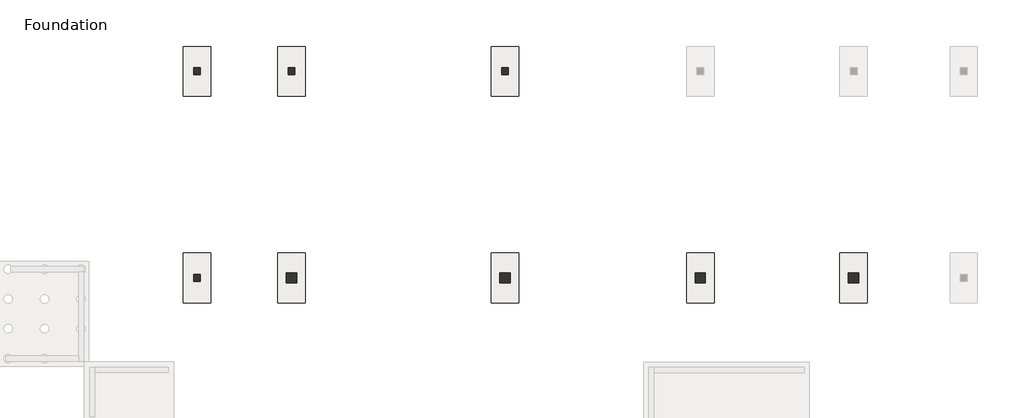
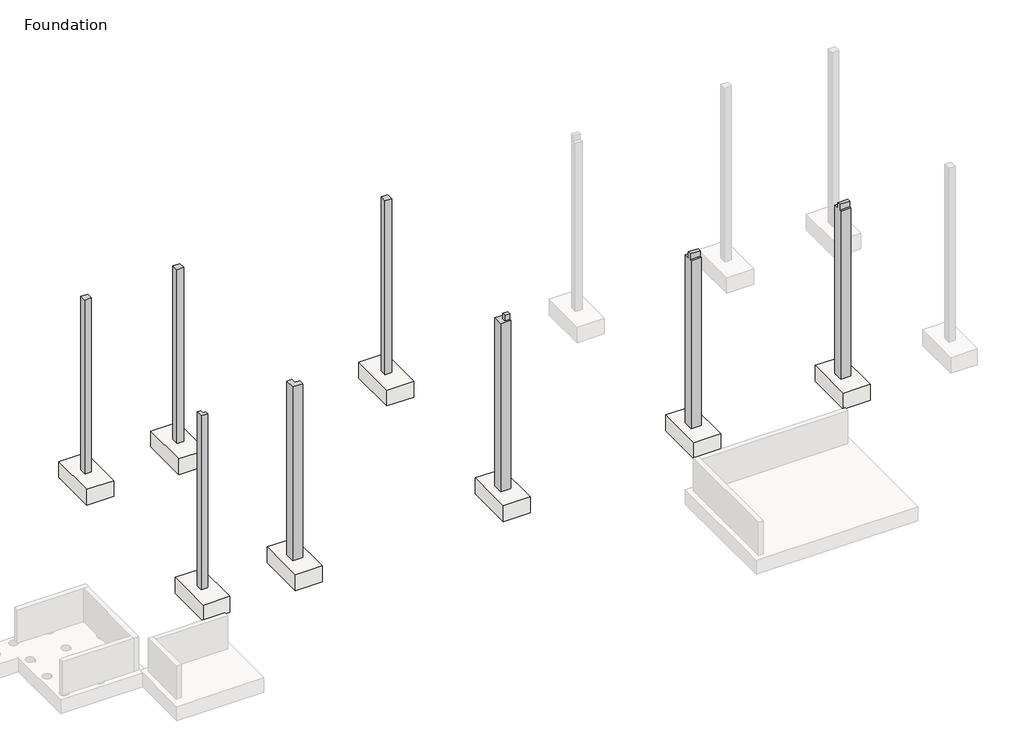
# One storey, part 3 of 10: 8 columns, 8 slabs.
"""IFC4 building model written with IfcOpenShell, lengths in millimetres."""

from ifc_helpers import new_model, si_unit, frame, origin, place, context, project, spatial, polyline, circle_curve, faceted_brep, element, save
from ifc_brep_helpers import plane_surface, revolved_surface, advanced_brep

model = new_model("IFC4")

# Units and contexts
model_context = context("Model", 3, world=origin())
ifc_project = project(units=[si_unit("LENGTHUNIT", "METRE", prefix="MILLI")], contexts=[model_context])

# Site, building, storey
site = spatial("IfcSite", under=ifc_project)
building = spatial("IfcBuilding", under=site)
storey = spatial("IfcBuildingStorey", under=building, Name="Foundation", Elevation=-1600.0)

# Columns
placement = place(None, origin())
element("IfcColumn", 1, ObjectType="Concrete-Rectangular-Column : C 20/20", at=placement, inside=storey, context=model_context, shape_type="Brep", body=[
    faceted_brep([(-54020.0749186, -5989.7248986, -1600.0), (-54020.0749186, -6189.7248986, -1600.0), (-54220.0749186, -6189.7248986, -1600.0), (-54220.0749186, -5989.7248986, -1600.0), (-54020.0749186, -6189.7248986, 3900.0), (-54220.0749186, -6189.7248986, 3900.0), (-54020.0749186, -6189.7248986, -550.0), (-54020.0749186, -6189.7248986, -100.0), (-54020.0749186, -5989.7248986, 3900.0), (-54020.0749186, -6164.7248986, 3900.0), (-54220.0749186, -5989.7248986, 3900.0)], [[[0, 1, 2, 3]], [[4, 5, 2, 1, 6, 7]], [[8, 9, 4, 7, 6, 1, 0]], [[5, 10, 3, 2]], [[10, 8, 0, 3]], [[8, 10, 5, 4, 9]]]),
])
element("IfcColumn", 2, ObjectType="Concrete-Rectangular-Column : C 20/20", at=placement, inside=storey, context=model_context, shape_type="Brep", body=[
    faceted_brep([(-51267.5749186, -5989.7248986, -1600.0), (-51267.5749186, -6189.7248986, -1600.0), (-51467.5749186, -6189.7248986, -1600.0), (-51467.5749186, -5989.7248986, -1600.0), (-51267.5749186, -6189.7248986, 3900.0), (-51467.5749186, -6189.7248986, 3900.0), (-51467.5749186, -6189.7248986, 3250.0), (-51467.5749186, -6189.7248986, -100.0), (-51467.5749186, -6189.7248986, -550.0), (-51267.5749186, -6189.7248986, -550.0), (-51267.5749186, -6189.7248986, -100.0), (-51267.5749186, -6189.7248986, 3250.0), (-51267.5749186, -5989.7248986, 3900.0), (-51267.5749186, -6164.7248986, 3900.0), (-51467.5749186, -6164.7248986, 3900.0), (-51467.5749186, -5989.7248986, 3900.0)], [[[0, 1, 2, 3]], [[4, 5, 6, 7, 8, 2, 1, 9, 10, 11]], [[12, 13, 4, 11, 10, 9, 1, 0]], [[5, 14, 15, 3, 2, 8, 7, 6]], [[15, 12, 0, 3]], [[12, 15, 14, 5, 4, 13]]]),
])
element("IfcColumn", 3, ObjectType="Concrete-Rectangular-Column : C 20/20", at=placement, inside=storey, context=model_context, shape_type="Brep", body=[
    faceted_brep([(-45047.5749186, -5989.7248986, -1600.0), (-45047.5749186, -6189.7248986, -1600.0), (-45247.5749186, -6189.7248986, -1600.0), (-45247.5749186, -5989.7248986, -1600.0), (-45047.5749186, -6189.7248986, 3900.0), (-45247.5749186, -6189.7248986, 3900.0), (-45047.5749186, -5989.7248986, 3900.0), (-45047.5749186, -6014.7248986, 3900.0), (-45047.5749186, -6164.7248986, 3900.0), (-45247.5749186, -6164.7248986, 3900.0), (-45247.5749186, -6014.7248986, 3900.0), (-45247.5749186, -5989.7248986, 3900.0)], [[[0, 1, 2, 3]], [[4, 5, 2, 1]], [[6, 7, 8, 4, 1, 0]], [[5, 9, 10, 11, 3, 2]], [[11, 6, 0, 3]], [[6, 11, 10, 9, 5, 4, 8, 7]]]),
])
element("IfcColumn", 4, ObjectType="Concrete-Rectangular-Column : C 20/20", at=placement, inside=storey, context=model_context, shape_type="Brep", body=[
    faceted_brep([(-54020.0749186, -12019.7248986, -1600.0), (-54020.0749186, -12219.7248986, -1600.0), (-54220.0749186, -12219.7248986, -1600.0), (-54220.0749186, -12019.7248986, -1600.0), (-54020.0749186, -12219.7248986, -550.0), (-54020.0749186, -12219.7248986, -100.0), (-54020.0749186, -12219.7248986, 3720.0), (-54020.0749186, -12219.7248986, 3900.0), (-54220.0749186, -12219.7248986, 3900.0), (-54220.0749186, -12219.7248986, 3720.0), (-54220.0749186, -12219.7248986, -100.0), (-54220.0749186, -12219.7248986, -550.0), (-54020.0749186, -12019.7248986, -550.0), (-54020.0749186, -12019.7248986, -100.0), (-54020.0749186, -12019.7248986, 3400.0), (-54020.0749186, -12019.7248986, 3720.0), (-54020.0749186, -12119.7248986, 3720.0), (-54020.0749186, -12119.7248986, 3900.0), (-54020.0749186, -12194.7248986, 3900.0), (-54220.0749186, -12194.7248986, 3900.0), (-54220.0749186, -12019.7248986, 3900.0), (-54220.0749186, -12019.7248986, 3400.0), (-54120.0749186, -12019.7248986, 3900.0), (-54120.0749186, -12019.7248986, 3720.0), (-54120.0749186, -12119.7248986, 3900.0), (-54120.0749186, -12119.7248986, 3720.0)], [[[0, 1, 2, 3]], [[2, 1, 4, 5, 6, 7, 8, 9, 10, 11]], [[1, 0, 12, 13, 14, 15, 16, 17, 18, 7, 6, 5, 4]], [[2, 11, 10, 9, 8, 19, 20, 21, 3]], [[0, 3, 21, 20, 22, 23, 15, 14, 13, 12]], [[8, 7, 18, 17, 24, 22, 20, 19]], [[23, 25, 16, 15]], [[25, 24, 17, 16]], [[24, 25, 23, 22]]]),
])
element("IfcColumn", 5, ObjectType="Concrete-Rectangular-Column : C 30/30", at=placement, inside=storey, context=model_context, shape_type="Brep", body=[
    faceted_brep([(-51217.5749186, -11969.7248986, -1600.0), (-51217.5749186, -12269.7248986, -1600.0), (-51517.5749186, -12269.7248986, -1600.0), (-51517.5749186, -11969.7248986, -1600.0), (-51217.5749186, -12269.7248986, -550.0), (-51217.5749186, -12269.7248986, -100.0), (-51217.5749186, -12269.7248986, 3720.0), (-51217.5749186, -12269.7248986, 3900.0), (-51517.5749186, -12269.7248986, 3900.0), (-51517.5749186, -12269.7248986, 3720.0), (-51517.5749186, -12269.7248986, -100.0), (-51517.5749186, -12269.7248986, -550.0), (-51217.5749186, -11969.7248986, -550.0), (-51217.5749186, -11969.7248986, -100.0), (-51217.5749186, -11969.7248986, 3720.0), (-51217.5749186, -12119.7248986, 3720.0), (-51217.5749186, -12119.7248986, 3900.0), (-51217.5749186, -12219.7248986, 3900.0), (-51517.5749186, -12194.7248986, 3900.0), (-51517.5749186, -12044.7248986, 3900.0), (-51517.5749186, -11969.7248986, 3900.0), (-51517.5749186, -11969.7248986, 3720.0), (-51517.5749186, -11969.7248986, -100.0), (-51517.5749186, -11969.7248986, -550.0), (-51467.5749186, -11969.7248986, 3900.0), (-51367.5749186, -11969.7248986, 3900.0), (-51367.5749186, -11969.7248986, 3720.0), (-51367.5749186, -12119.7248986, 3900.0), (-51367.5749186, -12119.7248986, 3720.0)], [[[0, 1, 2, 3]], [[2, 1, 4, 5, 6, 7, 8, 9, 10, 11]], [[1, 0, 12, 13, 14, 15, 16, 17, 7, 6, 5, 4]], [[2, 11, 10, 9, 8, 18, 19, 20, 21, 22, 23, 3]], [[0, 3, 23, 22, 21, 20, 24, 25, 26, 14, 13, 12]], [[8, 7, 17, 16, 27, 25, 24, 20, 19, 18]], [[26, 28, 15, 14]], [[28, 27, 16, 15]], [[27, 28, 26, 25]]]),
])
element("IfcColumn", 6, ObjectType="Concrete-Rectangular-Column : C 30/30", at=placement, inside=storey, context=model_context, shape_type="Brep", body=[
    faceted_brep([(-44997.5749186, -11969.7248986, -1600.0), (-44997.5749186, -12269.7248986, -1600.0), (-45297.5749186, -12269.7248986, -1600.0), (-45297.5749186, -11969.7248986, -1600.0), (-44997.5749186, -12269.7248986, -550.0), (-44997.5749186, -12269.7248986, -100.0), (-44997.5749186, -12269.7248986, 3720.0), (-45297.5749186, -12269.7248986, 3720.0), (-45297.5749186, -12269.7248986, -100.0), (-45297.5749186, -12269.7248986, -550.0), (-44997.5749186, -11969.7248986, -550.0), (-44997.5749186, -11969.7248986, -100.0), (-44997.5749186, -11969.7248986, 3720.0), (-44997.5749186, -12119.7248986, 3720.0), (-44997.5749186, -12119.7248986, 3900.0), (-44997.5749186, -12219.7248986, 3900.0), (-44997.5749186, -12219.7248986, 3720.0), (-45297.5749186, -11969.7248986, 3720.0), (-45297.5749186, -11969.7248986, -100.0), (-45297.5749186, -11969.7248986, -550.0), (-45147.5749186, -12219.7248986, 3900.0), (-45047.5749186, -12219.7248986, 3900.0), (-45147.5749186, -12119.7248986, 3900.0), (-45047.5749186, -12219.7248986, 3720.0), (-45147.5749186, -12219.7248986, 3720.0), (-45147.5749186, -12119.7248986, 3720.0)], [[[0, 1, 2, 3]], [[2, 1, 4, 5, 6, 7, 8, 9]], [[1, 0, 10, 11, 12, 13, 14, 15, 16, 6, 5, 4]], [[3, 2, 9, 8, 7, 17, 18, 19]], [[0, 3, 19, 18, 17, 12, 11, 10]], [[20, 21, 15, 14, 22]], [[16, 23, 24, 25, 13, 12, 17, 7, 6]], [[24, 20, 22, 25]], [[24, 23, 16, 15, 21, 20]], [[13, 25, 22, 14]]]),
])
element("IfcColumn", 7, ObjectType="Concrete-Rectangular-Column : C 30/30", at=placement, inside=storey, context=model_context, shape_type="Brep", body=[
    faceted_brep([(-34837.5749186, -11969.7248986, -1600.0), (-34837.5749186, -12269.7248986, -1600.0), (-35137.5749186, -12269.7248986, -1600.0), (-35137.5749186, -11969.7248986, -1600.0), (-34837.5749186, -12269.7248986, -550.0), (-34837.5749186, -12269.7248986, -100.0), (-34837.5749186, -12269.7248986, 3720.0), (-35137.5749186, -12269.7248986, 3720.0), (-35137.5749186, -12269.7248986, -100.0), (-35137.5749186, -12269.7248986, -550.0), (-34837.5749186, -11969.7248986, -550.0), (-34837.5749186, -11969.7248986, -100.0), (-34837.5749186, -11969.7248986, 3720.0), (-34837.5749186, -12119.7248986, 3720.0), (-34837.5749186, -12119.7248986, 3900.0), (-34837.5749186, -12219.7248986, 3900.0), (-34837.5749186, -12219.7248986, 3720.0), (-35137.5749186, -12219.7248986, 3720.0), (-35137.5749186, -12219.7248986, 3900.0), (-35137.5749186, -12119.7248986, 3900.0), (-35137.5749186, -12119.7248986, 3720.0), (-35137.5749186, -11969.7248986, 3720.0), (-35137.5749186, -11969.7248986, -100.0), (-35137.5749186, -11969.7248986, -550.0)], [[[0, 1, 2, 3]], [[2, 1, 4, 5, 6, 7, 8, 9]], [[1, 0, 10, 11, 12, 13, 14, 15, 16, 6, 5, 4]], [[3, 2, 9, 8, 7, 17, 18, 19, 20, 21, 22, 23]], [[0, 3, 23, 22, 21, 12, 11, 10]], [[18, 15, 14, 19]], [[16, 17, 7, 6]], [[17, 16, 15, 18]], [[13, 12, 21, 20]], [[13, 20, 19, 14]]]),
])
element("IfcColumn", 8, ObjectType="Concrete-Rectangular-Column : C 30/30", at=placement, inside=storey, context=model_context, shape_type="Brep", body=[
    faceted_brep([(-39304.2335648, -11969.7248986, -1600.0), (-39304.2335648, -12269.7248986, -1600.0), (-39604.2335648, -12269.7248986, -1600.0), (-39604.2335648, -11969.7248986, -1600.0), (-39304.2335648, -12269.7248986, -550.0), (-39304.2335648, -12269.7248986, -100.0), (-39304.2335648, -12269.7248986, 3720.0), (-39604.2335648, -12269.7248986, 3720.0), (-39604.2335648, -12269.7248986, -100.0), (-39604.2335648, -12269.7248986, -550.0), (-39304.2335648, -11969.7248986, -550.0), (-39304.2335648, -11969.7248986, -100.0), (-39304.2335648, -11969.7248986, 3720.0), (-39304.2335648, -12119.7248986, 3720.0), (-39304.2335648, -12119.7248986, 3900.0), (-39304.2335648, -12219.7248986, 3900.0), (-39304.2335648, -12219.7248986, 3720.0), (-39604.2335648, -12219.7248986, 3720.0), (-39604.2335648, -12219.7248986, 3900.0), (-39604.2335648, -12119.7248986, 3900.0), (-39604.2335648, -12119.7248986, 3720.0), (-39604.2335648, -11969.7248986, 3720.0), (-39604.2335648, -11969.7248986, -100.0), (-39604.2335648, -11969.7248986, -550.0)], [[[0, 1, 2, 3]], [[2, 1, 4, 5, 6, 7, 8, 9]], [[1, 0, 10, 11, 12, 13, 14, 15, 16, 6, 5, 4]], [[3, 2, 9, 8, 7, 17, 18, 19, 20, 21, 22, 23]], [[0, 3, 23, 22, 21, 12, 11, 10]], [[18, 15, 14, 19]], [[16, 17, 7, 6]], [[17, 16, 15, 18]], [[13, 12, 21, 20]], [[13, 20, 19, 14]]]),
])

# Slabs
element("IfcSlab", 9, ObjectType="Pile Cap for 2 Piles : Type 1", at=placement, inside=storey, context=model_context, shape_type="AdvancedBrep", body=[
    advanced_brep(
    [(-51767.5749186, -12844.7248986, -1600.0), (-50967.5749186, -12844.7248986, -1600.0), (-50967.5749186, -11394.7248986, -1600.0), (-51767.5749186, -11394.7248986, -1600.0), (-51767.5749186, -12844.7248986, -2100.0), (-51767.5749186, -11394.7248986, -2100.0), (-50967.5749186, -11394.7248986, -2100.0), (-50967.5749186, -12844.7248986, -2100.0), (-51234.2415852, -12519.7248986, -2100.0), (-51500.9082519, -12519.7248986, -2100.0), (-51234.2415852, -11719.7248986, -2100.0), (-51500.9082519, -11719.7248986, -2100.0), (-51234.2415852, -11719.7248986, -2050.0), (-51500.9082519, -11719.7248986, -2050.0), (-51234.2415852, -12519.7248986, -2050.0), (-51500.9082519, -12519.7248986, -2050.0)],
    [
        (0, 1),
        (1, 2),
        (2, 3),
        (3, 0),
        (4, 5),
        (5, 6),
        (6, 7),
        (7, 4),
        (8, 9, circle_curve(frame((-51367.5749186, -12519.7248986, -2100.0), z_axis=(0.0, 0.0, 1.0), x_axis=(-1.0, 0.0, 0.0)), 133.3333333)),
        (9, 8, circle_curve(frame((-51367.5749186, -12519.7248986, -2100.0), z_axis=(0.0, 0.0, 1.0), x_axis=(-1.0, 0.0, 0.0)), 133.3333333)),
        (10, 11, circle_curve(frame((-51367.5749186, -11719.7248986, -2100.0), z_axis=(0.0, 0.0, 1.0), x_axis=(-1.0, 0.0, 0.0)), 133.3333333)),
        (11, 10, circle_curve(frame((-51367.5749186, -11719.7248986, -2100.0), z_axis=(0.0, 0.0, 1.0), x_axis=(-1.0, 0.0, 0.0)), 133.3333333)),
        (0, 4),
        (7, 1),
        (6, 2),
        (5, 3),
        (12, 13, circle_curve(frame((-51367.5749186, -11719.7248986, -2050.0), z_axis=(0.0, 0.0, -1.0), x_axis=(-1.0, 0.0, 0.0)), 133.3333333)),
        (13, 12, circle_curve(frame((-51367.5749186, -11719.7248986, -2050.0), z_axis=(0.0, 0.0, -1.0), x_axis=(-1.0, 0.0, 0.0)), 133.3333333)),
        (8, 14),
        (14, 15, circle_curve(frame((-51367.5749186, -12519.7248986, -2050.0), z_axis=(0.0, 0.0, 1.0), x_axis=(-1.0, 0.0, 0.0)), 133.3333333)),
        (15, 9),
        (15, 14, circle_curve(frame((-51367.5749186, -12519.7248986, -2050.0), z_axis=(0.0, 0.0, 1.0), x_axis=(-1.0, 0.0, 0.0)), 133.3333333)),
        (10, 12),
        (13, 11),
    ],
    [
        plane_surface(frame((-50967.5749186, -12844.7248986, -1600.0), z_axis=(0.0, 0.0, 1.0), x_axis=(1.0, 0.0, 0.0))),
        plane_surface(frame((-50967.5749186, -12844.7248986, -2100.0), z_axis=(0.0, 0.0, -1.0), x_axis=(-1.0, 0.0, 0.0))),
        plane_surface(frame((-51767.5749186, -12844.7248986, -1600.0), z_axis=(0.0, -1.0, 0.0), x_axis=(0.0, 0.0, -1.0))),
        plane_surface(frame((-50967.5749186, -12844.7248986, -1600.0), z_axis=(1.0, 0.0, 0.0), x_axis=(0.0, 0.0, -1.0))),
        plane_surface(frame((-50967.5749186, -11394.7248986, -1600.0), z_axis=(0.0, 1.0, 0.0), x_axis=(0.0, 0.0, -1.0))),
        plane_surface(frame((-51767.5749186, -11394.7248986, -1600.0), z_axis=(-1.0, 0.0, 0.0), x_axis=(0.0, 0.0, -1.0))),
        plane_surface(frame((-51500.9082519, -12519.7248986, -2050.0), z_axis=(0.0, 0.0, -1.0), x_axis=(0.0, -1.0, 0.0))),
        revolved_surface(polyline([(-51500.9082519, -12519.7248986, -2050.0), (-51500.9082519, -12519.7248986, -2100.0)]), (-51367.5749186, -12519.7248986, -2100.0), (0.0, 0.0, 1.0)),
        revolved_surface(polyline([(-51500.9082519, -11719.7248986, -2050.0), (-51500.9082519, -11719.7248986, -2100.0)]), (-51367.5749186, -11719.7248986, -1600.0), (0.0, 0.0, 1.0)),
    ],
    [
        (0, [[1, 2, 3, 4]]),
        (1, [[5, 6, 7, 8], [9, 10], [11, 12]]),
        (2, [[-1, 13, -8, 14]]),
        (3, [[-2, -14, -7, 15]]),
        (4, [[-3, -15, -6, 16]]),
        (5, [[-4, -16, -5, -13]]),
        (6, [[17, 18]]),
        (7, [[-9, 19, 20, 21]]),
        (7, [[-10, -21, 22, -19]]),
        (8, [[-11, 23, -18, 24]]),
        (8, [[-12, -24, -17, -23]]),
        (6, [[-22, -20]]),
    ],
),
])
element("IfcSlab", 10, ObjectType="Pile Cap for 2 Piles : Type 1", at=placement, inside=storey, context=model_context, shape_type="AdvancedBrep", body=[
    advanced_brep(
    [(-54520.0749186, -12844.7248986, -1600.0), (-53720.0749186, -12844.7248986, -1600.0), (-53720.0749186, -11394.7248986, -1600.0), (-54520.0749186, -11394.7248986, -1600.0), (-54520.0749186, -12844.7248986, -2100.0), (-54520.0749186, -11394.7248986, -2100.0), (-53720.0749186, -11394.7248986, -2100.0), (-53720.0749186, -12844.7248986, -2100.0), (-53986.7415852, -12519.7248986, -2100.0), (-54253.4082519, -12519.7248986, -2100.0), (-53986.7415852, -11719.7248986, -2100.0), (-54253.4082519, -11719.7248986, -2100.0), (-53986.7415852, -11719.7248986, -2050.0), (-54253.4082519, -11719.7248986, -2050.0), (-53986.7415852, -12519.7248986, -2050.0), (-54253.4082519, -12519.7248986, -2050.0)],
    [
        (0, 1),
        (1, 2),
        (2, 3),
        (3, 0),
        (4, 5),
        (5, 6),
        (6, 7),
        (7, 4),
        (8, 9, circle_curve(frame((-54120.0749186, -12519.7248986, -2100.0), z_axis=(0.0, 0.0, 1.0), x_axis=(-1.0, 0.0, 0.0)), 133.3333333)),
        (9, 8, circle_curve(frame((-54120.0749186, -12519.7248986, -2100.0), z_axis=(0.0, 0.0, 1.0), x_axis=(-1.0, 0.0, 0.0)), 133.3333333)),
        (10, 11, circle_curve(frame((-54120.0749186, -11719.7248986, -2100.0), z_axis=(0.0, 0.0, 1.0), x_axis=(-1.0, 0.0, 0.0)), 133.3333333)),
        (11, 10, circle_curve(frame((-54120.0749186, -11719.7248986, -2100.0), z_axis=(0.0, 0.0, 1.0), x_axis=(-1.0, 0.0, 0.0)), 133.3333333)),
        (0, 4),
        (7, 1),
        (6, 2),
        (5, 3),
        (12, 13, circle_curve(frame((-54120.0749186, -11719.7248986, -2050.0), z_axis=(0.0, 0.0, -1.0), x_axis=(-1.0, 0.0, 0.0)), 133.3333333)),
        (13, 12, circle_curve(frame((-54120.0749186, -11719.7248986, -2050.0), z_axis=(0.0, 0.0, -1.0), x_axis=(-1.0, 0.0, 0.0)), 133.3333333)),
        (8, 14),
        (14, 15, circle_curve(frame((-54120.0749186, -12519.7248986, -2050.0), z_axis=(0.0, 0.0, 1.0), x_axis=(-1.0, 0.0, 0.0)), 133.3333333)),
        (15, 9),
        (15, 14, circle_curve(frame((-54120.0749186, -12519.7248986, -2050.0), z_axis=(0.0, 0.0, 1.0), x_axis=(-1.0, 0.0, 0.0)), 133.3333333)),
        (10, 12),
        (13, 11),
    ],
    [
        plane_surface(frame((-53720.0749186, -12844.7248986, -1600.0), z_axis=(0.0, 0.0, 1.0), x_axis=(1.0, 0.0, 0.0))),
        plane_surface(frame((-53720.0749186, -12844.7248986, -2100.0), z_axis=(0.0, 0.0, -1.0), x_axis=(-1.0, 0.0, 0.0))),
        plane_surface(frame((-54520.0749186, -12844.7248986, -1600.0), z_axis=(0.0, -1.0, 0.0), x_axis=(0.0, 0.0, -1.0))),
        plane_surface(frame((-53720.0749186, -12844.7248986, -1600.0), z_axis=(1.0, 0.0, 0.0), x_axis=(0.0, 0.0, -1.0))),
        plane_surface(frame((-53720.0749186, -11394.7248986, -1600.0), z_axis=(0.0, 1.0, 0.0), x_axis=(0.0, 0.0, -1.0))),
        plane_surface(frame((-54520.0749186, -11394.7248986, -1600.0), z_axis=(-1.0, 0.0, 0.0), x_axis=(0.0, 0.0, -1.0))),
        plane_surface(frame((-54253.4082519, -12519.7248986, -2050.0), z_axis=(0.0, 0.0, -1.0), x_axis=(0.0, -1.0, 0.0))),
        revolved_surface(polyline([(-54253.4082519, -12519.7248986, -2050.0), (-54253.4082519, -12519.7248986, -2100.0)]), (-54120.0749186, -12519.7248986, -2100.0), (0.0, 0.0, 1.0)),
        revolved_surface(polyline([(-54253.4082519, -11719.7248986, -2050.0), (-54253.4082519, -11719.7248986, -2100.0)]), (-54120.0749186, -11719.7248986, -1600.0), (0.0, 0.0, 1.0)),
    ],
    [
        (0, [[1, 2, 3, 4]]),
        (1, [[5, 6, 7, 8], [9, 10], [11, 12]]),
        (2, [[-1, 13, -8, 14]]),
        (3, [[-2, -14, -7, 15]]),
        (4, [[-3, -15, -6, 16]]),
        (5, [[-4, -16, -5, -13]]),
        (6, [[17, 18]]),
        (7, [[-9, 19, 20, 21]]),
        (7, [[-10, -21, 22, -19]]),
        (8, [[-11, 23, -18, 24]]),
        (8, [[-12, -24, -17, -23]]),
        (6, [[-22, -20]]),
    ],
),
])
element("IfcSlab", 11, ObjectType="Pile Cap for 2 Piles : Type 1", at=placement, inside=storey, context=model_context, shape_type="AdvancedBrep", body=[
    advanced_brep(
    [(-45547.5749186, -12844.7248986, -1600.0), (-44747.5749186, -12844.7248986, -1600.0), (-44747.5749186, -11394.7248986, -1600.0), (-45547.5749186, -11394.7248986, -1600.0), (-45547.5749186, -12844.7248986, -2100.0), (-45547.5749186, -11394.7248986, -2100.0), (-44747.5749186, -11394.7248986, -2100.0), (-44747.5749186, -12844.7248986, -2100.0), (-45014.2415852, -12519.7248986, -2100.0), (-45280.9082519, -12519.7248986, -2100.0), (-45014.2415852, -11719.7248986, -2100.0), (-45280.9082519, -11719.7248986, -2100.0), (-45014.2415852, -11719.7248986, -2050.0), (-45280.9082519, -11719.7248986, -2050.0), (-45014.2415852, -12519.7248986, -2050.0), (-45280.9082519, -12519.7248986, -2050.0)],
    [
        (0, 1),
        (1, 2),
        (2, 3),
        (3, 0),
        (4, 5),
        (5, 6),
        (6, 7),
        (7, 4),
        (8, 9, circle_curve(frame((-45147.5749186, -12519.7248986, -2100.0), z_axis=(0.0, 0.0, 1.0), x_axis=(-1.0, 0.0, 0.0)), 133.3333333)),
        (9, 8, circle_curve(frame((-45147.5749186, -12519.7248986, -2100.0), z_axis=(0.0, 0.0, 1.0), x_axis=(-1.0, 0.0, 0.0)), 133.3333333)),
        (10, 11, circle_curve(frame((-45147.5749186, -11719.7248986, -2100.0), z_axis=(0.0, 0.0, 1.0), x_axis=(-1.0, 0.0, 0.0)), 133.3333333)),
        (11, 10, circle_curve(frame((-45147.5749186, -11719.7248986, -2100.0), z_axis=(0.0, 0.0, 1.0), x_axis=(-1.0, 0.0, 0.0)), 133.3333333)),
        (0, 4),
        (7, 1),
        (6, 2),
        (5, 3),
        (12, 13, circle_curve(frame((-45147.5749186, -11719.7248986, -2050.0), z_axis=(0.0, 0.0, -1.0), x_axis=(-1.0, 0.0, 0.0)), 133.3333333)),
        (13, 12, circle_curve(frame((-45147.5749186, -11719.7248986, -2050.0), z_axis=(0.0, 0.0, -1.0), x_axis=(-1.0, 0.0, 0.0)), 133.3333333)),
        (8, 14),
        (14, 15, circle_curve(frame((-45147.5749186, -12519.7248986, -2050.0), z_axis=(0.0, 0.0, 1.0), x_axis=(-1.0, 0.0, 0.0)), 133.3333333)),
        (15, 9),
        (15, 14, circle_curve(frame((-45147.5749186, -12519.7248986, -2050.0), z_axis=(0.0, 0.0, 1.0), x_axis=(-1.0, 0.0, 0.0)), 133.3333333)),
        (10, 12),
        (13, 11),
    ],
    [
        plane_surface(frame((-44747.5749186, -12844.7248986, -1600.0), z_axis=(0.0, 0.0, 1.0), x_axis=(1.0, 0.0, 0.0))),
        plane_surface(frame((-44747.5749186, -12844.7248986, -2100.0), z_axis=(0.0, 0.0, -1.0), x_axis=(-1.0, 0.0, 0.0))),
        plane_surface(frame((-45547.5749186, -12844.7248986, -1600.0), z_axis=(0.0, -1.0, 0.0), x_axis=(0.0, 0.0, -1.0))),
        plane_surface(frame((-44747.5749186, -12844.7248986, -1600.0), z_axis=(1.0, 0.0, 0.0), x_axis=(0.0, 0.0, -1.0))),
        plane_surface(frame((-44747.5749186, -11394.7248986, -1600.0), z_axis=(0.0, 1.0, 0.0), x_axis=(0.0, 0.0, -1.0))),
        plane_surface(frame((-45547.5749186, -11394.7248986, -1600.0), z_axis=(-1.0, 0.0, 0.0), x_axis=(0.0, 0.0, -1.0))),
        plane_surface(frame((-45280.9082519, -12519.7248986, -2050.0), z_axis=(0.0, 0.0, -1.0), x_axis=(0.0, -1.0, 0.0))),
        revolved_surface(polyline([(-45280.9082519, -12519.7248986, -2050.0), (-45280.9082519, -12519.7248986, -2100.0)]), (-45147.5749186, -12519.7248986, -2100.0), (0.0, 0.0, 1.0)),
        revolved_surface(polyline([(-45280.9082519, -11719.7248986, -2050.0), (-45280.9082519, -11719.7248986, -2100.0)]), (-45147.5749186, -11719.7248986, -1600.0), (0.0, 0.0, 1.0)),
    ],
    [
        (0, [[1, 2, 3, 4]]),
        (1, [[5, 6, 7, 8], [9, 10], [11, 12]]),
        (2, [[-1, 13, -8, 14]]),
        (3, [[-2, -14, -7, 15]]),
        (4, [[-3, -15, -6, 16]]),
        (5, [[-4, -16, -5, -13]]),
        (6, [[17, 18]]),
        (7, [[-9, 19, 20, 21]]),
        (7, [[-10, -21, 22, -19]]),
        (8, [[-11, 23, -18, 24]]),
        (8, [[-12, -24, -17, -23]]),
        (6, [[-22, -20]]),
    ],
),
])
element("IfcSlab", 12, ObjectType="Pile Cap for 2 Piles : Type 1", at=placement, inside=storey, context=model_context, shape_type="AdvancedBrep", body=[
    advanced_brep(
    [(-39854.2335648, -12844.7248986, -1600.0), (-39054.2335648, -12844.7248986, -1600.0), (-39054.2335648, -11394.7248986, -1600.0), (-39854.2335648, -11394.7248986, -1600.0), (-39854.2335648, -12844.7248986, -2100.0), (-39854.2335648, -11394.7248986, -2100.0), (-39054.2335648, -11394.7248986, -2100.0), (-39054.2335648, -12844.7248986, -2100.0), (-39320.9002315, -12519.7248986, -2100.0), (-39587.5668981, -12519.7248986, -2100.0), (-39320.9002315, -11719.7248986, -2100.0), (-39587.5668981, -11719.7248986, -2100.0), (-39320.9002315, -11719.7248986, -2050.0), (-39587.5668981, -11719.7248986, -2050.0), (-39320.9002315, -12519.7248986, -2050.0), (-39587.5668981, -12519.7248986, -2050.0)],
    [
        (0, 1),
        (1, 2),
        (2, 3),
        (3, 0),
        (4, 5),
        (5, 6),
        (6, 7),
        (7, 4),
        (8, 9, circle_curve(frame((-39454.2335648, -12519.7248986, -2100.0), z_axis=(0.0, 0.0, 1.0), x_axis=(-1.0, 0.0, 0.0)), 133.3333333)),
        (9, 8, circle_curve(frame((-39454.2335648, -12519.7248986, -2100.0), z_axis=(0.0, 0.0, 1.0), x_axis=(-1.0, 0.0, 0.0)), 133.3333333)),
        (10, 11, circle_curve(frame((-39454.2335648, -11719.7248986, -2100.0), z_axis=(0.0, 0.0, 1.0), x_axis=(-1.0, 0.0, 0.0)), 133.3333333)),
        (11, 10, circle_curve(frame((-39454.2335648, -11719.7248986, -2100.0), z_axis=(0.0, 0.0, 1.0), x_axis=(-1.0, 0.0, 0.0)), 133.3333333)),
        (0, 4),
        (7, 1),
        (6, 2),
        (5, 3),
        (12, 13, circle_curve(frame((-39454.2335648, -11719.7248986, -2050.0), z_axis=(0.0, 0.0, -1.0), x_axis=(-1.0, 0.0, 0.0)), 133.3333333)),
        (13, 12, circle_curve(frame((-39454.2335648, -11719.7248986, -2050.0), z_axis=(0.0, 0.0, -1.0), x_axis=(-1.0, 0.0, 0.0)), 133.3333333)),
        (8, 14),
        (14, 15, circle_curve(frame((-39454.2335648, -12519.7248986, -2050.0), z_axis=(0.0, 0.0, 1.0), x_axis=(-1.0, 0.0, 0.0)), 133.3333333)),
        (15, 9),
        (15, 14, circle_curve(frame((-39454.2335648, -12519.7248986, -2050.0), z_axis=(0.0, 0.0, 1.0), x_axis=(-1.0, 0.0, 0.0)), 133.3333333)),
        (10, 12),
        (13, 11),
    ],
    [
        plane_surface(frame((-39054.2335648, -12844.7248986, -1600.0), z_axis=(0.0, 0.0, 1.0), x_axis=(1.0, 0.0, 0.0))),
        plane_surface(frame((-39054.2335648, -12844.7248986, -2100.0), z_axis=(0.0, 0.0, -1.0), x_axis=(-1.0, 0.0, 0.0))),
        plane_surface(frame((-39854.2335648, -12844.7248986, -1600.0), z_axis=(0.0, -1.0, 0.0), x_axis=(0.0, 0.0, -1.0))),
        plane_surface(frame((-39054.2335648, -12844.7248986, -1600.0), z_axis=(1.0, 0.0, 0.0), x_axis=(0.0, 0.0, -1.0))),
        plane_surface(frame((-39054.2335648, -11394.7248986, -1600.0), z_axis=(0.0, 1.0, 0.0), x_axis=(0.0, 0.0, -1.0))),
        plane_surface(frame((-39854.2335648, -11394.7248986, -1600.0), z_axis=(-1.0, 0.0, 0.0), x_axis=(0.0, 0.0, -1.0))),
        plane_surface(frame((-39587.5668981, -12519.7248986, -2050.0), z_axis=(0.0, 0.0, -1.0), x_axis=(0.0, -1.0, 0.0))),
        revolved_surface(polyline([(-39587.5668981, -12519.7248986, -2050.0), (-39587.5668981, -12519.7248986, -2100.0)]), (-39454.2335648, -12519.7248986, -2100.0), (0.0, 0.0, 1.0)),
        revolved_surface(polyline([(-39587.5668981, -11719.7248986, -2050.0), (-39587.5668981, -11719.7248986, -2100.0)]), (-39454.2335648, -11719.7248986, -1600.0), (0.0, 0.0, 1.0)),
    ],
    [
        (0, [[1, 2, 3, 4]]),
        (1, [[5, 6, 7, 8], [9, 10], [11, 12]]),
        (2, [[-1, 13, -8, 14]]),
        (3, [[-2, -14, -7, 15]]),
        (4, [[-3, -15, -6, 16]]),
        (5, [[-4, -16, -5, -13]]),
        (6, [[17, 18]]),
        (7, [[-9, 19, 20, 21]]),
        (7, [[-10, -21, 22, -19]]),
        (8, [[-11, 23, -18, 24]]),
        (8, [[-12, -24, -17, -23]]),
        (6, [[-22, -20]]),
    ],
),
])
element("IfcSlab", 13, ObjectType="Pile Cap for 2 Piles : Type 1", at=placement, inside=storey, context=model_context, shape_type="AdvancedBrep", body=[
    advanced_brep(
    [(-35387.5749186, -12844.7248986, -1600.0), (-34587.5749186, -12844.7248986, -1600.0), (-34587.5749186, -11394.7248986, -1600.0), (-35387.5749186, -11394.7248986, -1600.0), (-35387.5749186, -12844.7248986, -2100.0), (-35387.5749186, -11394.7248986, -2100.0), (-34587.5749186, -11394.7248986, -2100.0), (-34587.5749186, -12844.7248986, -2100.0), (-34854.2415852, -12519.7248986, -2100.0), (-35120.9082519, -12519.7248986, -2100.0), (-34854.2415852, -11719.7248986, -2100.0), (-35120.9082519, -11719.7248986, -2100.0), (-34854.2415852, -11719.7248986, -2050.0), (-35120.9082519, -11719.7248986, -2050.0), (-34854.2415852, -12519.7248986, -2050.0), (-35120.9082519, -12519.7248986, -2050.0)],
    [
        (0, 1),
        (1, 2),
        (2, 3),
        (3, 0),
        (4, 5),
        (5, 6),
        (6, 7),
        (7, 4),
        (8, 9, circle_curve(frame((-34987.5749186, -12519.7248986, -2100.0), z_axis=(0.0, 0.0, 1.0), x_axis=(-1.0, 0.0, 0.0)), 133.3333333)),
        (9, 8, circle_curve(frame((-34987.5749186, -12519.7248986, -2100.0), z_axis=(0.0, 0.0, 1.0), x_axis=(-1.0, 0.0, 0.0)), 133.3333333)),
        (10, 11, circle_curve(frame((-34987.5749186, -11719.7248986, -2100.0), z_axis=(0.0, 0.0, 1.0), x_axis=(-1.0, 0.0, 0.0)), 133.3333333)),
        (11, 10, circle_curve(frame((-34987.5749186, -11719.7248986, -2100.0), z_axis=(0.0, 0.0, 1.0), x_axis=(-1.0, 0.0, 0.0)), 133.3333333)),
        (0, 4),
        (7, 1),
        (6, 2),
        (5, 3),
        (12, 13, circle_curve(frame((-34987.5749186, -11719.7248986, -2050.0), z_axis=(0.0, 0.0, -1.0), x_axis=(-1.0, 0.0, 0.0)), 133.3333333)),
        (13, 12, circle_curve(frame((-34987.5749186, -11719.7248986, -2050.0), z_axis=(0.0, 0.0, -1.0), x_axis=(-1.0, 0.0, 0.0)), 133.3333333)),
        (8, 14),
        (14, 15, circle_curve(frame((-34987.5749186, -12519.7248986, -2050.0), z_axis=(0.0, 0.0, 1.0), x_axis=(-1.0, 0.0, 0.0)), 133.3333333)),
        (15, 9),
        (15, 14, circle_curve(frame((-34987.5749186, -12519.7248986, -2050.0), z_axis=(0.0, 0.0, 1.0), x_axis=(-1.0, 0.0, 0.0)), 133.3333333)),
        (10, 12),
        (13, 11),
    ],
    [
        plane_surface(frame((-34587.5749186, -12844.7248986, -1600.0), z_axis=(0.0, 0.0, 1.0), x_axis=(1.0, 0.0, 0.0))),
        plane_surface(frame((-34587.5749186, -12844.7248986, -2100.0), z_axis=(0.0, 0.0, -1.0), x_axis=(-1.0, 0.0, 0.0))),
        plane_surface(frame((-35387.5749186, -12844.7248986, -1600.0), z_axis=(0.0, -1.0, 0.0), x_axis=(0.0, 0.0, -1.0))),
        plane_surface(frame((-34587.5749186, -12844.7248986, -1600.0), z_axis=(1.0, 0.0, 0.0), x_axis=(0.0, 0.0, -1.0))),
        plane_surface(frame((-34587.5749186, -11394.7248986, -1600.0), z_axis=(0.0, 1.0, 0.0), x_axis=(0.0, 0.0, -1.0))),
        plane_surface(frame((-35387.5749186, -11394.7248986, -1600.0), z_axis=(-1.0, 0.0, 0.0), x_axis=(0.0, 0.0, -1.0))),
        plane_surface(frame((-35120.9082519, -12519.7248986, -2050.0), z_axis=(0.0, 0.0, -1.0), x_axis=(0.0, -1.0, 0.0))),
        revolved_surface(polyline([(-35120.9082519, -12519.7248986, -2050.0), (-35120.9082519, -12519.7248986, -2100.0)]), (-34987.5749186, -12519.7248986, -2100.0), (0.0, 0.0, 1.0)),
        revolved_surface(polyline([(-35120.9082519, -11719.7248986, -2050.0), (-35120.9082519, -11719.7248986, -2100.0)]), (-34987.5749186, -11719.7248986, -1600.0), (0.0, 0.0, 1.0)),
    ],
    [
        (0, [[1, 2, 3, 4]]),
        (1, [[5, 6, 7, 8], [9, 10], [11, 12]]),
        (2, [[-1, 13, -8, 14]]),
        (3, [[-2, -14, -7, 15]]),
        (4, [[-3, -15, -6, 16]]),
        (5, [[-4, -16, -5, -13]]),
        (6, [[17, 18]]),
        (7, [[-9, 19, 20, 21]]),
        (7, [[-10, -21, 22, -19]]),
        (8, [[-11, 23, -18, 24]]),
        (8, [[-12, -24, -17, -23]]),
        (6, [[-22, -20]]),
    ],
),
])
element("IfcSlab", 14, ObjectType="Pile Cap for 2 Piles : Type 1", at=placement, inside=storey, context=model_context, shape_type="AdvancedBrep", body=[
    advanced_brep(
    [(-54520.0749186, -6814.7248986, -1600.0), (-53720.0749186, -6814.7248986, -1600.0), (-53720.0749186, -5364.7248986, -1600.0), (-54520.0749186, -5364.7248986, -1600.0), (-54520.0749186, -6814.7248986, -2100.0), (-54520.0749186, -5364.7248986, -2100.0), (-53720.0749186, -5364.7248986, -2100.0), (-53720.0749186, -6814.7248986, -2100.0), (-53986.7415852, -6489.7248986, -2100.0), (-54253.4082519, -6489.7248986, -2100.0), (-53986.7415852, -5689.7248986, -2100.0), (-54253.4082519, -5689.7248986, -2100.0), (-53986.7415852, -5689.7248986, -2050.0), (-54253.4082519, -5689.7248986, -2050.0), (-53986.7415852, -6489.7248986, -2050.0), (-54253.4082519, -6489.7248986, -2050.0)],
    [
        (0, 1),
        (1, 2),
        (2, 3),
        (3, 0),
        (4, 5),
        (5, 6),
        (6, 7),
        (7, 4),
        (8, 9, circle_curve(frame((-54120.0749186, -6489.7248986, -2100.0), z_axis=(0.0, 0.0, 1.0), x_axis=(-1.0, 0.0, 0.0)), 133.3333333)),
        (9, 8, circle_curve(frame((-54120.0749186, -6489.7248986, -2100.0), z_axis=(0.0, 0.0, 1.0), x_axis=(-1.0, 0.0, 0.0)), 133.3333333)),
        (10, 11, circle_curve(frame((-54120.0749186, -5689.7248986, -2100.0), z_axis=(0.0, 0.0, 1.0), x_axis=(-1.0, 0.0, 0.0)), 133.3333333)),
        (11, 10, circle_curve(frame((-54120.0749186, -5689.7248986, -2100.0), z_axis=(0.0, 0.0, 1.0), x_axis=(-1.0, 0.0, 0.0)), 133.3333333)),
        (0, 4),
        (7, 1),
        (6, 2),
        (5, 3),
        (12, 13, circle_curve(frame((-54120.0749186, -5689.7248986, -2050.0), z_axis=(0.0, 0.0, -1.0), x_axis=(-1.0, 0.0, 0.0)), 133.3333333)),
        (13, 12, circle_curve(frame((-54120.0749186, -5689.7248986, -2050.0), z_axis=(0.0, 0.0, -1.0), x_axis=(-1.0, 0.0, 0.0)), 133.3333333)),
        (8, 14),
        (14, 15, circle_curve(frame((-54120.0749186, -6489.7248986, -2050.0), z_axis=(0.0, 0.0, 1.0), x_axis=(-1.0, 0.0, 0.0)), 133.3333333)),
        (15, 9),
        (15, 14, circle_curve(frame((-54120.0749186, -6489.7248986, -2050.0), z_axis=(0.0, 0.0, 1.0), x_axis=(-1.0, 0.0, 0.0)), 133.3333333)),
        (10, 12),
        (13, 11),
    ],
    [
        plane_surface(frame((-53720.0749186, -6814.7248986, -1600.0), z_axis=(0.0, 0.0, 1.0), x_axis=(1.0, 0.0, 0.0))),
        plane_surface(frame((-53720.0749186, -6814.7248986, -2100.0), z_axis=(0.0, 0.0, -1.0), x_axis=(-1.0, 0.0, 0.0))),
        plane_surface(frame((-54520.0749186, -6814.7248986, -1600.0), z_axis=(0.0, -1.0, 0.0), x_axis=(0.0, 0.0, -1.0))),
        plane_surface(frame((-53720.0749186, -6814.7248986, -1600.0), z_axis=(1.0, 0.0, 0.0), x_axis=(0.0, 0.0, -1.0))),
        plane_surface(frame((-53720.0749186, -5364.7248986, -1600.0), z_axis=(0.0, 1.0, 0.0), x_axis=(0.0, 0.0, -1.0))),
        plane_surface(frame((-54520.0749186, -5364.7248986, -1600.0), z_axis=(-1.0, 0.0, 0.0), x_axis=(0.0, 0.0, -1.0))),
        plane_surface(frame((-54253.4082519, -6489.7248986, -2050.0), z_axis=(0.0, 0.0, -1.0), x_axis=(0.0, -1.0, 0.0))),
        revolved_surface(polyline([(-54253.4082519, -6489.7248986, -2050.0), (-54253.4082519, -6489.7248986, -2100.0)]), (-54120.0749186, -6489.7248986, -2100.0), (0.0, 0.0, 1.0)),
        revolved_surface(polyline([(-54253.4082519, -5689.7248986, -2050.0), (-54253.4082519, -5689.7248986, -2100.0)]), (-54120.0749186, -5689.7248986, -1600.0), (0.0, 0.0, 1.0)),
    ],
    [
        (0, [[1, 2, 3, 4]]),
        (1, [[5, 6, 7, 8], [9, 10], [11, 12]]),
        (2, [[-1, 13, -8, 14]]),
        (3, [[-2, -14, -7, 15]]),
        (4, [[-3, -15, -6, 16]]),
        (5, [[-4, -16, -5, -13]]),
        (6, [[17, 18]]),
        (7, [[-9, 19, 20, 21]]),
        (7, [[-10, -21, 22, -19]]),
        (8, [[-11, 23, -18, 24]]),
        (8, [[-12, -24, -17, -23]]),
        (6, [[-22, -20]]),
    ],
),
])
element("IfcSlab", 15, ObjectType="Pile Cap for 2 Piles : Type 1", at=placement, inside=storey, context=model_context, shape_type="AdvancedBrep", body=[
    advanced_brep(
    [(-51767.5749186, -6814.7248986, -1600.0), (-50967.5749186, -6814.7248986, -1600.0), (-50967.5749186, -5364.7248986, -1600.0), (-51767.5749186, -5364.7248986, -1600.0), (-51767.5749186, -6814.7248986, -2100.0), (-51767.5749186, -5364.7248986, -2100.0), (-50967.5749186, -5364.7248986, -2100.0), (-50967.5749186, -6814.7248986, -2100.0), (-51234.2415852, -6489.7248986, -2100.0), (-51500.9082519, -6489.7248986, -2100.0), (-51234.2415852, -5689.7248986, -2100.0), (-51500.9082519, -5689.7248986, -2100.0), (-51234.2415852, -5689.7248986, -2050.0), (-51500.9082519, -5689.7248986, -2050.0), (-51234.2415852, -6489.7248986, -2050.0), (-51500.9082519, -6489.7248986, -2050.0)],
    [
        (0, 1),
        (1, 2),
        (2, 3),
        (3, 0),
        (4, 5),
        (5, 6),
        (6, 7),
        (7, 4),
        (8, 9, circle_curve(frame((-51367.5749186, -6489.7248986, -2100.0), z_axis=(0.0, 0.0, 1.0), x_axis=(-1.0, 0.0, 0.0)), 133.3333333)),
        (9, 8, circle_curve(frame((-51367.5749186, -6489.7248986, -2100.0), z_axis=(0.0, 0.0, 1.0), x_axis=(-1.0, 0.0, 0.0)), 133.3333333)),
        (10, 11, circle_curve(frame((-51367.5749186, -5689.7248986, -2100.0), z_axis=(0.0, 0.0, 1.0), x_axis=(-1.0, 0.0, 0.0)), 133.3333333)),
        (11, 10, circle_curve(frame((-51367.5749186, -5689.7248986, -2100.0), z_axis=(0.0, 0.0, 1.0), x_axis=(-1.0, 0.0, 0.0)), 133.3333333)),
        (0, 4),
        (7, 1),
        (6, 2),
        (5, 3),
        (12, 13, circle_curve(frame((-51367.5749186, -5689.7248986, -2050.0), z_axis=(0.0, 0.0, -1.0), x_axis=(-1.0, 0.0, 0.0)), 133.3333333)),
        (13, 12, circle_curve(frame((-51367.5749186, -5689.7248986, -2050.0), z_axis=(0.0, 0.0, -1.0), x_axis=(-1.0, 0.0, 0.0)), 133.3333333)),
        (8, 14),
        (14, 15, circle_curve(frame((-51367.5749186, -6489.7248986, -2050.0), z_axis=(0.0, 0.0, 1.0), x_axis=(-1.0, 0.0, 0.0)), 133.3333333)),
        (15, 9),
        (15, 14, circle_curve(frame((-51367.5749186, -6489.7248986, -2050.0), z_axis=(0.0, 0.0, 1.0), x_axis=(-1.0, 0.0, 0.0)), 133.3333333)),
        (10, 12),
        (13, 11),
    ],
    [
        plane_surface(frame((-50967.5749186, -6814.7248986, -1600.0), z_axis=(0.0, 0.0, 1.0), x_axis=(1.0, 0.0, 0.0))),
        plane_surface(frame((-50967.5749186, -6814.7248986, -2100.0), z_axis=(0.0, 0.0, -1.0), x_axis=(-1.0, 0.0, 0.0))),
        plane_surface(frame((-51767.5749186, -6814.7248986, -1600.0), z_axis=(0.0, -1.0, 0.0), x_axis=(0.0, 0.0, -1.0))),
        plane_surface(frame((-50967.5749186, -6814.7248986, -1600.0), z_axis=(1.0, 0.0, 0.0), x_axis=(0.0, 0.0, -1.0))),
        plane_surface(frame((-50967.5749186, -5364.7248986, -1600.0), z_axis=(0.0, 1.0, 0.0), x_axis=(0.0, 0.0, -1.0))),
        plane_surface(frame((-51767.5749186, -5364.7248986, -1600.0), z_axis=(-1.0, 0.0, 0.0), x_axis=(0.0, 0.0, -1.0))),
        plane_surface(frame((-51500.9082519, -6489.7248986, -2050.0), z_axis=(0.0, 0.0, -1.0), x_axis=(0.0, -1.0, 0.0))),
        revolved_surface(polyline([(-51500.9082519, -6489.7248986, -2050.0), (-51500.9082519, -6489.7248986, -2100.0)]), (-51367.5749186, -6489.7248986, -2100.0), (0.0, 0.0, 1.0)),
        revolved_surface(polyline([(-51500.9082519, -5689.7248986, -2050.0), (-51500.9082519, -5689.7248986, -2100.0)]), (-51367.5749186, -5689.7248986, -1600.0), (0.0, 0.0, 1.0)),
    ],
    [
        (0, [[1, 2, 3, 4]]),
        (1, [[5, 6, 7, 8], [9, 10], [11, 12]]),
        (2, [[-1, 13, -8, 14]]),
        (3, [[-2, -14, -7, 15]]),
        (4, [[-3, -15, -6, 16]]),
        (5, [[-4, -16, -5, -13]]),
        (6, [[17, 18]]),
        (7, [[-9, 19, 20, 21]]),
        (7, [[-10, -21, 22, -19]]),
        (8, [[-11, 23, -18, 24]]),
        (8, [[-12, -24, -17, -23]]),
        (6, [[-22, -20]]),
    ],
),
])
element("IfcSlab", 16, ObjectType="Pile Cap for 2 Piles : Type 1", at=placement, inside=storey, context=model_context, shape_type="AdvancedBrep", body=[
    advanced_brep(
    [(-45547.5749186, -6814.7248986, -1600.0), (-44747.5749186, -6814.7248986, -1600.0), (-44747.5749186, -5364.7248986, -1600.0), (-45547.5749186, -5364.7248986, -1600.0), (-45547.5749186, -6814.7248986, -2100.0), (-45547.5749186, -5364.7248986, -2100.0), (-44747.5749186, -5364.7248986, -2100.0), (-44747.5749186, -6814.7248986, -2100.0), (-45014.2415852, -6489.7248986, -2100.0), (-45280.9082519, -6489.7248986, -2100.0), (-45014.2415852, -5689.7248986, -2100.0), (-45280.9082519, -5689.7248986, -2100.0), (-45014.2415852, -5689.7248986, -2050.0), (-45280.9082519, -5689.7248986, -2050.0), (-45014.2415852, -6489.7248986, -2050.0), (-45280.9082519, -6489.7248986, -2050.0)],
    [
        (0, 1),
        (1, 2),
        (2, 3),
        (3, 0),
        (4, 5),
        (5, 6),
        (6, 7),
        (7, 4),
        (8, 9, circle_curve(frame((-45147.5749186, -6489.7248986, -2100.0), z_axis=(0.0, 0.0, 1.0), x_axis=(-1.0, 0.0, 0.0)), 133.3333333)),
        (9, 8, circle_curve(frame((-45147.5749186, -6489.7248986, -2100.0), z_axis=(0.0, 0.0, 1.0), x_axis=(-1.0, 0.0, 0.0)), 133.3333333)),
        (10, 11, circle_curve(frame((-45147.5749186, -5689.7248986, -2100.0), z_axis=(0.0, 0.0, 1.0), x_axis=(-1.0, 0.0, 0.0)), 133.3333333)),
        (11, 10, circle_curve(frame((-45147.5749186, -5689.7248986, -2100.0), z_axis=(0.0, 0.0, 1.0), x_axis=(-1.0, 0.0, 0.0)), 133.3333333)),
        (0, 4),
        (7, 1),
        (6, 2),
        (5, 3),
        (12, 13, circle_curve(frame((-45147.5749186, -5689.7248986, -2050.0), z_axis=(0.0, 0.0, -1.0), x_axis=(-1.0, 0.0, 0.0)), 133.3333333)),
        (13, 12, circle_curve(frame((-45147.5749186, -5689.7248986, -2050.0), z_axis=(0.0, 0.0, -1.0), x_axis=(-1.0, 0.0, 0.0)), 133.3333333)),
        (8, 14),
        (14, 15, circle_curve(frame((-45147.5749186, -6489.7248986, -2050.0), z_axis=(0.0, 0.0, 1.0), x_axis=(-1.0, 0.0, 0.0)), 133.3333333)),
        (15, 9),
        (15, 14, circle_curve(frame((-45147.5749186, -6489.7248986, -2050.0), z_axis=(0.0, 0.0, 1.0), x_axis=(-1.0, 0.0, 0.0)), 133.3333333)),
        (10, 12),
        (13, 11),
    ],
    [
        plane_surface(frame((-44747.5749186, -6814.7248986, -1600.0), z_axis=(0.0, 0.0, 1.0), x_axis=(1.0, 0.0, 0.0))),
        plane_surface(frame((-44747.5749186, -6814.7248986, -2100.0), z_axis=(0.0, 0.0, -1.0), x_axis=(-1.0, 0.0, 0.0))),
        plane_surface(frame((-45547.5749186, -6814.7248986, -1600.0), z_axis=(0.0, -1.0, 0.0), x_axis=(0.0, 0.0, -1.0))),
        plane_surface(frame((-44747.5749186, -6814.7248986, -1600.0), z_axis=(1.0, 0.0, 0.0), x_axis=(0.0, 0.0, -1.0))),
        plane_surface(frame((-44747.5749186, -5364.7248986, -1600.0), z_axis=(0.0, 1.0, 0.0), x_axis=(0.0, 0.0, -1.0))),
        plane_surface(frame((-45547.5749186, -5364.7248986, -1600.0), z_axis=(-1.0, 0.0, 0.0), x_axis=(0.0, 0.0, -1.0))),
        plane_surface(frame((-45280.9082519, -6489.7248986, -2050.0), z_axis=(0.0, 0.0, -1.0), x_axis=(0.0, -1.0, 0.0))),
        revolved_surface(polyline([(-45280.9082519, -6489.7248986, -2050.0), (-45280.9082519, -6489.7248986, -2100.0)]), (-45147.5749186, -6489.7248986, -2100.0), (0.0, 0.0, 1.0)),
        revolved_surface(polyline([(-45280.9082519, -5689.7248986, -2050.0), (-45280.9082519, -5689.7248986, -2100.0)]), (-45147.5749186, -5689.7248986, -1600.0), (0.0, 0.0, 1.0)),
    ],
    [
        (0, [[1, 2, 3, 4]]),
        (1, [[5, 6, 7, 8], [9, 10], [11, 12]]),
        (2, [[-1, 13, -8, 14]]),
        (3, [[-2, -14, -7, 15]]),
        (4, [[-3, -15, -6, 16]]),
        (5, [[-4, -16, -5, -13]]),
        (6, [[17, 18]]),
        (7, [[-9, 19, 20, 21]]),
        (7, [[-10, -21, 22, -19]]),
        (8, [[-11, 23, -18, 24]]),
        (8, [[-12, -24, -17, -23]]),
        (6, [[-22, -20]]),
    ],
),
])

save(model, "model.ifc")
